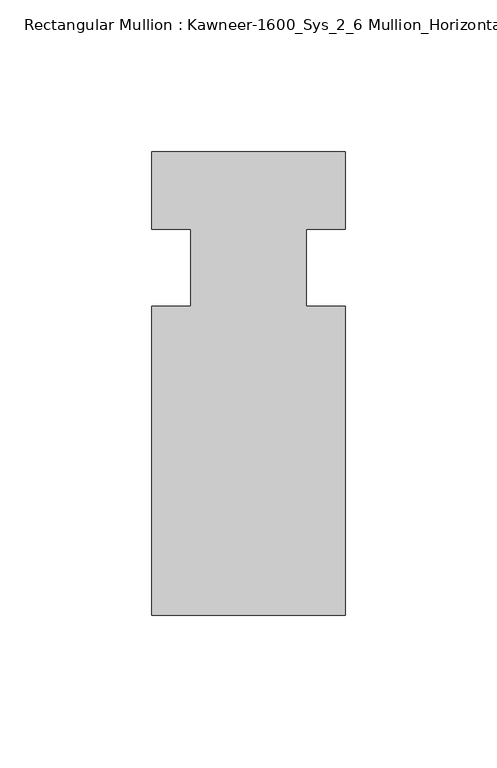
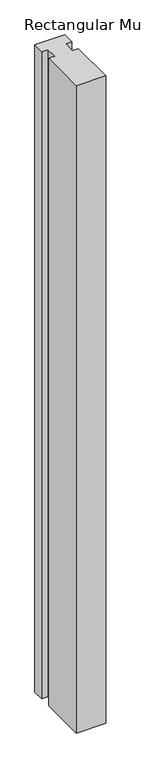
"""IFC4 building model written with IfcOpenShell, lengths in millimetres: member geometry, Rectangular Mullion : Kawneer-1600_Sys_2_6 Mullion_Horizontal."""

from ifc_helpers import new_model, si_unit, frame, origin, place, context, project, spatial, polyline, outline, extrude, source, transform, mapped, element, save


def rectangular_mullion_kawneer_1600_sys_2_6_mullion_horizontal_78cf1012(model_context):
    return source(origin(), model_context, "Body", "SweptSolid", [
        extrude(outline(polyline([(36.0844027, -114.3), (-27.4155973, -114.3), (-27.4155973, -12.7), (-14.7155973, -12.7), (-14.7155973, 12.7), (-27.4155973, 12.7), (-27.4155973, 38.1), (36.0844027, 38.1), (36.0844027, 12.7), (23.3826322, 12.7), (23.3826322, -12.7), (36.0844027, -12.7), (36.0844027, -114.3)])), frame((0.0, 0.0, -1460.5), z_axis=(0.0, 0.0, 1.0), x_axis=(1.0, 0.0, 0.0)), (0.0, 0.0, 1.0), 1460.5),
    ])


if __name__ == "__main__":
    model = new_model("IFC4")
    model_context = context("Model", 3, world=origin())
    ifc_project = project(units=[si_unit("LENGTHUNIT", "METRE", prefix="MILLI")], contexts=[model_context])
    site = spatial("IfcSite", under=ifc_project)
    building = spatial("IfcBuilding", under=site)
    placement = place(None, origin())
    rectangular_mullion_kawneer_1600_sys_2_6_mullion_horizontal_shape = rectangular_mullion_kawneer_1600_sys_2_6_mullion_horizontal_78cf1012(model_context)
    element("IfcMember", 1, ObjectType="Rectangular Mullion : Kawneer-1600_Sys_2_6 Mullion_Horizontal", at=placement, inside=building, context=model_context, shape_type="MappedRepresentation", body=[
        mapped(rectangular_mullion_kawneer_1600_sys_2_6_mullion_horizontal_shape, transform((0.0, 0.0, 0.0), x_axis=(1.0, 0.0, 0.0), y_axis=(0.0, 1.0, 0.0), z_axis=(0.0, 0.0, 1.0))),
    ])
    save(model, "model.ifc")
